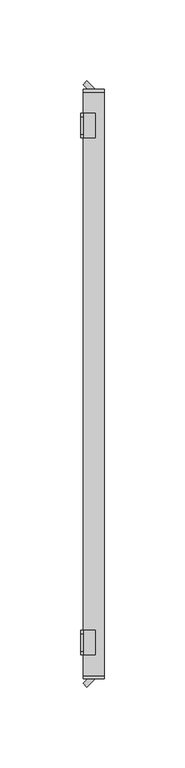
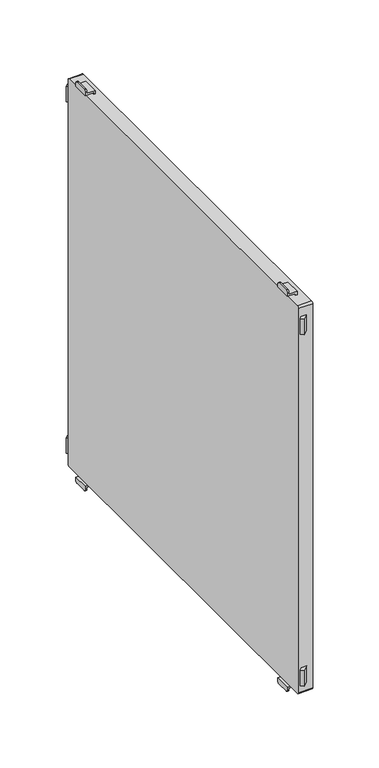
"""IFC4 building model written with IfcOpenShell, lengths in millimetres: furniture geometry."""

import ifcopenshell
import ifcopenshell.guid

model = None  # the IFC model being written
_history = None  # IfcOwnerHistory: only IFC2X3 demands one
_inside = {}  # id of a spatial element -> (the spatial element, [elements in it])
_under = {}  # id of a project, library or spatial element -> (it, [spatial elements below it])
_declared = {}  # id of a project -> (the project, [libraries it declares])
_typed = {}  # id of a type object -> (the type object, [elements of that type])
_made_of = {}  # id of a material, layer set ... -> (it, [elements and type objects made of it])


def new_model(schema):
    """Start an empty IFC model of exactly this schema.

    Asked for "IFC4X3", IfcOpenShell would pick the latest addendum, in which some entities
    have other attributes; the version numbers below select the first issue.
    IFC2X3 requires an IfcOwnerHistory on every rooted entity: one is made here for all.
    """
    global model, _history
    if schema == "IFC4X3":
        model = ifcopenshell.file(schema_version=(4, 3, 0, 0))
    else:
        model = ifcopenshell.file(schema=schema)
    _inside.clear()
    _under.clear()
    _declared.clear()
    _typed.clear()
    _made_of.clear()
    _history = None
    if model.schema == "IFC2X3":
        org = make("IfcOrganization", Name="unknown")
        user = make(
            "IfcPersonAndOrganization",
            ThePerson=make("IfcPerson", FamilyName="unknown"),
            TheOrganization=org,
        )
        app = make(
            "IfcApplication",
            ApplicationDeveloper=org,
            Version="unknown",
            ApplicationFullName="unknown",
            ApplicationIdentifier="unknown",
        )
        _history = make(
            "IfcOwnerHistory",
            OwningUser=user,
            OwningApplication=app,
            ChangeAction="ADDED",
            CreationDate=0,
        )
    return model


def make(cls, **values):
    """One entity of the class cls with the attributes given. An attribute that is None is left unset."""
    return model.create_entity(
        cls, **{name: value for name, value in values.items() if value is not None}
    )


def rooted(cls, **values):
    """An entity with a GlobalId (a new one), such as an element, a storey or a relation."""
    return make(cls, GlobalId=ifcopenshell.guid.new(), OwnerHistory=_history, **values)


def si_unit(unit_type, name, prefix=None):
    """IfcSIUnit, for example si_unit("LENGTHUNIT", "METRE", prefix="MILLI")."""
    return make("IfcSIUnit", UnitType=unit_type, Prefix=prefix, Name=name)


def assignment(units):
    """IfcUnitAssignment: the units of a project."""
    return None if units is None else make("IfcUnitAssignment", Units=units)


def point(xyz):
    """IfcCartesianPoint."""
    return None if xyz is None else make("IfcCartesianPoint", Coordinates=xyz)


def direction(xyz):
    """IfcDirection."""
    return None if xyz is None else make("IfcDirection", DirectionRatios=xyz)


def frame(location, z_axis=None, x_axis=None):
    """IfcAxis2Placement3D, a coordinate frame: its origin and axes. An axis left out is left unset."""
    return make(
        "IfcAxis2Placement3D",
        Location=point(location),
        Axis=direction(z_axis),
        RefDirection=direction(x_axis),
    )


def frame_2d(location, x_axis=None):
    """IfcAxis2Placement2D, a coordinate frame in the plane: its origin and x axis."""
    return make(
        "IfcAxis2Placement2D", Location=point(location), RefDirection=direction(x_axis)
    )


def origin():
    """The frame at (0, 0, 0) with its axes left unset."""
    return frame((0.0, 0.0, 0.0))


def place(relative_to, where):
    """IfcLocalPlacement: puts the frame where relative to a parent placement (None: the world)."""
    return make(
        "IfcLocalPlacement", PlacementRelTo=relative_to, RelativePlacement=where
    )


def context(
    kind, dimensions, precision=None, world=None, true_north=None, identifier=None
):
    """IfcGeometricRepresentationContext, for example the 3D "Model" context."""
    return make(
        "IfcGeometricRepresentationContext",
        ContextIdentifier=identifier,
        ContextType=kind,
        CoordinateSpaceDimension=dimensions,
        Precision=precision,
        WorldCoordinateSystem=world,
        TrueNorth=true_north,
    )


def project(units=None, contexts=None):
    """IfcProject with its units and contexts."""
    return rooted(
        "IfcProject",
        Name="project",
        RepresentationContexts=contexts,
        UnitsInContext=assignment(units),
    )


def spatial(cls, under=None, at=None, **own):
    """A site, building, storey or space (cls), placed at a placement, below another one or the project."""
    s = rooted(cls, ObjectPlacement=at, **own)
    if under is not None:
        _under.setdefault(under.id(), (under, []))[1].append(s)
    return s


def polyline(points):
    """IfcPolyline through the points."""
    return make("IfcPolyline", Points=[point(p) for p in points])


def circle_curve(where, radius):
    """IfcCircle in the frame where."""
    return make("IfcCircle", Position=where, Radius=radius)


def trimmed(basis, trim1, trim2, sense, master):
    """IfcTrimmedCurve: the piece of a basis curve between two trims."""
    return make(
        "IfcTrimmedCurve",
        BasisCurve=basis,
        Trim1=trim1,
        Trim2=trim2,
        SenseAgreement=sense,
        MasterRepresentation=master,
    )


def segment(curve, same_sense, transition):
    """IfcCompositeCurveSegment."""
    return make(
        "IfcCompositeCurveSegment",
        Transition=transition,
        SameSense=same_sense,
        ParentCurve=curve,
    )


def composite_curve(segments, self_intersect=None):
    """IfcCompositeCurve: segments joined end to end."""
    return make("IfcCompositeCurve", Segments=segments, SelfIntersect=self_intersect)


def outline(outer, holes=None, kind="AREA"):
    """IfcArbitraryClosedProfileDef: a profile drawn as a closed curve; with holes, ...WithVoids."""
    if holes is None:
        return make("IfcArbitraryClosedProfileDef", ProfileType=kind, OuterCurve=outer)
    return make(
        "IfcArbitraryProfileDefWithVoids",
        ProfileType=kind,
        OuterCurve=outer,
        InnerCurves=holes,
    )


def extrude(swept, where, along, depth):
    """IfcExtrudedAreaSolid: the profile swept, set in the frame where, extruded along a direction by depth."""
    return make(
        "IfcExtrudedAreaSolid",
        SweptArea=swept,
        Position=where,
        ExtrudedDirection=direction(along),
        Depth=depth,
    )


def shape(context_of_items, identifier, shape_type, items):
    """IfcShapeRepresentation: the items that make up one representation, for example the "Body"."""
    return make(
        "IfcShapeRepresentation",
        ContextOfItems=context_of_items,
        RepresentationIdentifier=identifier,
        RepresentationType=shape_type,
        Items=items,
    )


def source(mapping_origin, context_of_items, identifier, shape_type, items):
    """IfcRepresentationMap: a shape defined once, which mapped items show again and again."""
    return make(
        "IfcRepresentationMap",
        MappingOrigin=mapping_origin,
        MappedRepresentation=shape(context_of_items, identifier, shape_type, items),
    )


def transform(
    local_origin,
    x_axis=None,
    y_axis=None,
    z_axis=None,
    scale=None,
    scale2=None,
    scale3=None,
    uniform=True,
):
    """IfcCartesianTransformationOperator3D, or its non-uniform kind. x_axis, y_axis, z_axis: its Axis1, 2, 3."""
    if uniform:
        return make(
            "IfcCartesianTransformationOperator3D",
            Axis1=direction(x_axis),
            Axis2=direction(y_axis),
            LocalOrigin=point(local_origin),
            Scale=scale,
            Axis3=direction(z_axis),
        )
    return make(
        "IfcCartesianTransformationOperator3DnonUniform",
        Axis1=direction(x_axis),
        Axis2=direction(y_axis),
        LocalOrigin=point(local_origin),
        Scale=scale,
        Axis3=direction(z_axis),
        Scale2=scale2,
        Scale3=scale3,
    )


def mapped(mapping_source, mapping_target):
    """IfcMappedItem: shows the shape of a source again, moved by a transform."""
    return make(
        "IfcMappedItem", MappingSource=mapping_source, MappingTarget=mapping_target
    )


def made_of(thing, what):
    """Note that an element or type object is made of a material, layer set ...; save() writes the relation."""
    if what is not None:
        _made_of.setdefault(what.id(), (what, []))[1].append(thing)
    return thing


def element(
    cls,
    number,
    at=None,
    inside=None,
    cuts=None,
    type_object=None,
    material=None,
    context=None,
    identifier="Body",
    shape_type=None,
    held_by="IfcProductDefinitionShape",
    body=None,
    shapes=None,
    **own,
):
    """One element of the class cls, such as IfcWall. Its Tag is "e" and its number.

    at: its placement. inside: the storey or other place that contains it. cuts: it is an
    opening in that element (IfcRelVoidsElement). A single representation is given by context,
    identifier, shape_type and body (its items); several are given by shapes. held_by: the class
    of the entity that holds the representations. save() writes the other relations.
    """
    e = rooted(cls, Tag="e%d" % number, ObjectPlacement=at, **own)
    if body is not None:
        shapes = [shape(context, identifier, shape_type, body)]
    if shapes is not None:
        e.Representation = make(held_by, Representations=shapes)
    if inside is not None:
        _inside.setdefault(inside.id(), (inside, []))[1].append(e)
    if cuts is not None:
        rooted(
            "IfcRelVoidsElement", RelatingBuildingElement=cuts, RelatedOpeningElement=e
        )
    if type_object is not None:
        _typed.setdefault(type_object.id(), (type_object, []))[1].append(e)
    return made_of(e, material)


def aggregate(whole, parts):
    """IfcRelAggregates: a whole, such as a stair, and the parts it consists of."""
    return rooted("IfcRelAggregates", RelatingObject=whole, RelatedObjects=parts)


def save(model, path):
    """Write the relations noted so far, then the file.

    IfcRelAggregates (storeys below a building ...), IfcRelContainedInSpatialStructure (elements
    in a storey), IfcRelDefinesByType, IfcRelAssociatesMaterial and IfcRelDeclares: one each for
    every whole, place, type object, material and project.
    """
    for whole, parts in _under.values():
        aggregate(whole, parts)
    for where, things in _inside.values():
        rooted(
            "IfcRelContainedInSpatialStructure",
            RelatedElements=things,
            RelatingStructure=where,
        )
    for kind, things in _typed.values():
        rooted("IfcRelDefinesByType", RelatedObjects=things, RelatingType=kind)
    for what, things in _made_of.values():
        rooted("IfcRelAssociatesMaterial", RelatedObjects=things, RelatingMaterial=what)
    for by, libraries in _declared.values():
        rooted("IfcRelDeclares", RelatingContext=by, RelatedDefinitions=libraries)
    model.write(path)


def plane_surface(at):
    """IfcPlane: the flat surface through the origin of the frame at, square to its z axis."""
    return make("IfcPlane", Position=at)


def cylinder_surface(at, radius):
    """IfcCylindricalSurface: all points at the distance radius from the z axis of the frame at."""
    return make("IfcCylindricalSurface", Position=at, Radius=radius)


def advanced_brep(points, edges, surfaces, faces):
    """IfcAdvancedBrep: a solid bounded by faces that lie on surfaces and meet in shared edges.

    An edge is (start, end): straight between two places in points (the first is 0);
    or (start, end, curve); or (start, end, curve, False) where it runs against its curve.
    A face is (place in surfaces, loops), or (place, loops, False) where it looks against
    its surface's normal. A loop lists edges by number (the first is 1), with a minus sign
    where the edge is run from its end to its start. The first loop is the outer one.
    """
    corners = [point(p) for p in points]
    vertices = [make("IfcVertexPoint", VertexGeometry=c) for c in corners]
    made = []
    for start, end, *more in edges:
        made.append(
            make(
                "IfcEdgeCurve",
                EdgeStart=vertices[start],
                EdgeEnd=vertices[end],
                EdgeGeometry=more[0] if more else make("IfcPolyline", Points=[corners[start], corners[end]]),
                SameSense=more[1] if len(more) > 1 else True,
            )
        )
    hull = []
    for where, loops, *sense in faces:
        bounds = []
        for j, loop in enumerate(loops):
            ring = [make("IfcOrientedEdge", EdgeElement=made[abs(k) - 1], Orientation=k > 0) for k in loop]
            bounds.append(
                make(
                    "IfcFaceOuterBound" if j == 0 else "IfcFaceBound",
                    Bound=make("IfcEdgeLoop", EdgeList=ring),
                    Orientation=True,
                )
            )
        hull.append(make("IfcAdvancedFace", Bounds=bounds, FaceSurface=surfaces[where], SameSense=sense[0] if sense else True))
    return make("IfcAdvancedBrep", Outer=make("IfcClosedShell", CfsFaces=hull))


def furniture_20d5169d(model_context):
    return source(origin(), model_context, "Body", "SolidModel", [
        advanced_brep(
        [(-397.0, 152.5, 115.5), (-397.0, 154.5, 113.5), (-397.0, 165.5, 113.5), (-397.0, 167.5, 115.5), (-397.0, 167.5, 117.0), (-397.0, 152.5, 117.0), (-398.5, 152.5, 118.5), (-398.5, 167.5, 118.5), (-398.5, 167.5, 115.5), (-398.5, 165.5, 113.5), (-398.5, 154.5, 113.5), (-398.5, 152.5, 115.5), (-389.5011497, 152.5, 117.0), (-389.5011497, 152.5, 120.0), (-391.0011497, 152.5, 120.0), (-391.0011497, 152.5, 118.5), (-391.0011497, 167.5, 118.5), (-391.0011497, 167.5, 120.0), (-389.5011497, 167.5, 120.0), (-389.5011497, 167.5, 117.0)],
        [
            (0, 1, circle_curve(frame((-397.0, 154.5, 115.5), z_axis=(1.0, 0.0, 0.0), x_axis=(0.0, 1.0, 0.0)), 2.0)),
            (1, 2),
            (2, 3, circle_curve(frame((-397.0, 165.5, 115.5), z_axis=(1.0, 0.0, 0.0), x_axis=(0.0, 1.0, 0.0)), 2.0)),
            (3, 4),
            (4, 5),
            (5, 0),
            (6, 7),
            (7, 8),
            (8, 9, circle_curve(frame((-398.5, 165.5, 115.5), z_axis=(-1.0, 0.0, 0.0), x_axis=(0.0, 1.0, 0.0)), 2.0)),
            (9, 10),
            (10, 11, circle_curve(frame((-398.5, 154.5, 115.5), z_axis=(-1.0, 0.0, 0.0), x_axis=(0.0, 1.0, 0.0)), 2.0)),
            (11, 6),
            (11, 0),
            (5, 12),
            (12, 13),
            (13, 14),
            (14, 15),
            (15, 6),
            (10, 1),
            (9, 2),
            (8, 3),
            (7, 16),
            (16, 17),
            (17, 18),
            (18, 19),
            (19, 4),
            (15, 16),
            (12, 19),
            (18, 13),
            (17, 14),
        ],
        [
            plane_surface(frame((-397.0, 152.5, 117.0), z_axis=(1.0, 0.0, 0.0), x_axis=(0.0, 0.0, -1.0))),
            plane_surface(frame((-398.5, 152.5, 117.0), z_axis=(-1.0, 0.0, 0.0), x_axis=(0.0, 0.0, 1.0))),
            plane_surface(frame((-397.0, 152.5, 118.5), z_axis=(0.0, -1.0, 0.0), x_axis=(-1.0, 0.0, 0.0))),
            cylinder_surface(frame((-398.5, 154.5, 115.5), z_axis=(1.0, 0.0, 0.0), x_axis=(0.0, 1.0, 0.0)), 2.0),
            plane_surface(frame((-397.0, 154.5, 113.5), z_axis=(0.0, 0.0, -1.0), x_axis=(-1.0, 0.0, 0.0))),
            cylinder_surface(frame((-398.5, 165.5, 115.5), z_axis=(1.0, 0.0, 0.0), x_axis=(0.0, 1.0, 0.0)), 2.0),
            plane_surface(frame((-397.0, 167.5, 115.5), z_axis=(0.0, 1.0, 0.0), x_axis=(-1.0, 0.0, 0.0))),
            plane_surface(frame((-397.0, 167.5, 118.5), z_axis=(0.0, 0.0, 1.0), x_axis=(-1.0, 0.0, 0.0))),
            plane_surface(frame((-389.5011497, 152.5, 117.0), z_axis=(1.0, 0.0, 0.0), x_axis=(0.0, 1.0, 0.0))),
            plane_surface(frame((-389.5011497, 152.5, 120.0), z_axis=(0.0, 0.0, 1.0), x_axis=(0.0, 1.0, 0.0))),
            plane_surface(frame((-391.0011497, 152.5, 120.0), z_axis=(-1.0, 0.0, 0.0), x_axis=(0.0, 1.0, 0.0))),
            plane_surface(frame((-397.0, 152.5, 117.0), z_axis=(0.0, 0.0, -1.0), x_axis=(0.0, 1.0, 0.0))),
        ],
        [
            (0, [[1, 2, 3, 4, 5, 6]]),
            (1, [[7, 8, 9, 10, 11, 12]]),
            (2, [[-12, 13, -6, 14, 15, 16, 17, 18]]),
            (3, [[-1, -13, -11, 19]]),
            (4, [[-2, -19, -10, 20]]),
            (5, [[-3, -20, -9, 21]]),
            (6, [[-8, 22, 23, 24, 25, 26, -4, -21]]),
            (7, [[-22, -7, -18, 27]]),
            (8, [[-15, 28, -25, 29]]),
            (9, [[-16, -29, -24, 30]]),
            (10, [[-17, -30, -23, -27]]),
            (11, [[-14, -5, -26, -28]]),
        ],
    ),
        advanced_brep(
        [(-397.0, -167.5, 115.5), (-397.0, -165.5, 113.5), (-397.0, -154.5, 113.5), (-397.0, -152.5, 115.5), (-397.0, -152.5, 117.0), (-397.0, -167.5, 117.0), (-398.5, -152.5, 118.5), (-398.5, -152.5, 115.5), (-398.5, -154.5, 113.5), (-398.5, -165.5, 113.5), (-398.5, -167.5, 115.5), (-398.5, -167.5, 118.5), (-391.0011497, -167.5, 118.5), (-391.0011497, -152.5, 118.5), (-389.5011497, -167.5, 117.0), (-389.5011497, -167.5, 120.0), (-391.0011497, -167.5, 120.0), (-391.0011497, -152.5, 120.0), (-389.5011497, -152.5, 120.0), (-389.5011497, -152.5, 117.0)],
        [
            (0, 1, circle_curve(frame((-397.0, -165.5, 115.5), z_axis=(1.0, 0.0, 0.0), x_axis=(0.0, 1.0, 0.0)), 2.0)),
            (1, 2),
            (2, 3, circle_curve(frame((-397.0, -154.5, 115.5), z_axis=(1.0, 0.0, 0.0), x_axis=(0.0, 1.0, 0.0)), 2.0)),
            (3, 4),
            (4, 5),
            (5, 0),
            (6, 7),
            (7, 8, circle_curve(frame((-398.5, -154.5, 115.5), z_axis=(-1.0, 0.0, 0.0), x_axis=(0.0, 1.0, 0.0)), 2.0)),
            (8, 9),
            (9, 10, circle_curve(frame((-398.5, -165.5, 115.5), z_axis=(-1.0, 0.0, 0.0), x_axis=(0.0, 1.0, 0.0)), 2.0)),
            (10, 11),
            (11, 6),
            (11, 12),
            (12, 13),
            (13, 6),
            (10, 0),
            (5, 14),
            (14, 15),
            (15, 16),
            (16, 12),
            (9, 1),
            (8, 2),
            (7, 3),
            (13, 17),
            (17, 18),
            (18, 19),
            (19, 4),
            (18, 15),
            (14, 19),
            (17, 16),
        ],
        [
            plane_surface(frame((-397.0, 152.5, 117.0), z_axis=(1.0, 0.0, 0.0), x_axis=(0.0, 0.0, -1.0))),
            plane_surface(frame((-398.5, 152.5, 117.0), z_axis=(-1.0, 0.0, 0.0), x_axis=(0.0, 0.0, 1.0))),
            plane_surface(frame((-397.0, -152.5, 118.5), z_axis=(0.0, 0.0, 1.0), x_axis=(-1.0, 0.0, 0.0))),
            plane_surface(frame((-397.0, -167.5, 118.5), z_axis=(0.0, -1.0, 0.0), x_axis=(-1.0, 0.0, 0.0))),
            cylinder_surface(frame((-400.0, -165.5, 115.5), z_axis=(1.0, 0.0, 0.0), x_axis=(0.0, 1.0, 0.0)), 2.0),
            plane_surface(frame((-397.0, -165.5, 113.5), z_axis=(0.0, 0.0, -1.0), x_axis=(-1.0, 0.0, 0.0))),
            cylinder_surface(frame((-400.0, -154.5, 115.5), z_axis=(1.0, 0.0, 0.0), x_axis=(0.0, 1.0, 0.0)), 2.0),
            plane_surface(frame((-397.0, -152.5, 115.5), z_axis=(0.0, 1.0, 0.0), x_axis=(-1.0, 0.0, 0.0))),
            plane_surface(frame((-389.5011497, -152.5, 120.0), z_axis=(1.0, 0.0, 0.0), x_axis=(0.0, -1.0, 0.0))),
            plane_surface(frame((-391.0011497, -152.5, 120.0), z_axis=(0.0, 0.0, 1.0), x_axis=(0.0, -1.0, 0.0))),
            plane_surface(frame((-391.0011497, -152.5, 118.5), z_axis=(-1.0, 0.0, 0.0), x_axis=(0.0, -1.0, 0.0))),
            plane_surface(frame((-389.5011497, -152.5, 117.0), z_axis=(0.0, 0.0, -1.0), x_axis=(0.0, -1.0, 0.0))),
        ],
        [
            (0, [[1, 2, 3, 4, 5, 6]]),
            (1, [[7, 8, 9, 10, 11, 12]]),
            (2, [[-12, 13, 14, 15]]),
            (3, [[-11, 16, -6, 17, 18, 19, 20, -13]]),
            (4, [[-1, -16, -10, 21]]),
            (5, [[-2, -21, -9, 22]]),
            (6, [[-3, -22, -8, 23]]),
            (7, [[-7, -15, 24, 25, 26, 27, -4, -23]]),
            (8, [[-26, 28, -18, 29]]),
            (9, [[-25, 30, -19, -28]]),
            (10, [[-24, -14, -20, -30]]),
            (11, [[-27, -29, -17, -5]]),
        ],
    ),
        advanced_brep(
        [(-397.0, 167.5, 499.5), (-397.0, 165.5, 501.5), (-397.0, 154.5, 501.5), (-397.0, 152.5, 499.5), (-397.0, 152.5, 498.0), (-397.0, 167.5, 498.0), (-398.5, 152.5, 496.5), (-398.5, 152.5, 499.5), (-398.5, 154.5, 501.5), (-398.5, 165.5, 501.5), (-398.5, 167.5, 499.5), (-398.5, 167.5, 496.5), (-389.5011497, 152.5, 498.0), (-391.0011497, 152.5, 496.5), (-391.0011497, 152.5, 495.0), (-389.5011497, 152.5, 495.0), (-389.5011497, 167.5, 498.0), (-389.5011497, 167.5, 495.0), (-391.0011497, 167.5, 495.0), (-391.0011497, 167.5, 496.5)],
        [
            (0, 1, circle_curve(frame((-397.0, 165.5, 499.5), z_axis=(1.0, 0.0, 0.0), x_axis=(0.0, 1.0, 0.0)), 2.0)),
            (1, 2),
            (2, 3, circle_curve(frame((-397.0, 154.5, 499.5), z_axis=(1.0, 0.0, 0.0), x_axis=(0.0, 1.0, 0.0)), 2.0)),
            (3, 4),
            (4, 5),
            (5, 0),
            (6, 7),
            (7, 8, circle_curve(frame((-398.5, 154.5, 499.5), z_axis=(-1.0, 0.0, 0.0), x_axis=(0.0, 1.0, 0.0)), 2.0)),
            (8, 9),
            (9, 10, circle_curve(frame((-398.5, 165.5, 499.5), z_axis=(-1.0, 0.0, 0.0), x_axis=(0.0, 1.0, 0.0)), 2.0)),
            (10, 11),
            (11, 6),
            (12, 4),
            (3, 7),
            (6, 13),
            (13, 14),
            (14, 15),
            (15, 12),
            (16, 17),
            (17, 18),
            (18, 19),
            (19, 11),
            (10, 0),
            (5, 16),
            (19, 13),
            (9, 1),
            (8, 2),
            (12, 16),
            (18, 14),
            (17, 15),
        ],
        [
            plane_surface(frame((-397.0, 152.5, 117.0), z_axis=(1.0, 0.0, 0.0), x_axis=(0.0, 0.0, -1.0))),
            plane_surface(frame((-398.5, 152.5, 117.0), z_axis=(-1.0, 0.0, 0.0), x_axis=(0.0, 0.0, 1.0))),
            plane_surface(frame((-397.0, 152.5, 118.5), z_axis=(0.0, -1.0, 0.0), x_axis=(-1.0, 0.0, 0.0))),
            plane_surface(frame((-397.0, 167.5, 115.5), z_axis=(0.0, 1.0, 0.0), x_axis=(-1.0, 0.0, 0.0))),
            plane_surface(frame((-397.0, 152.5, 496.5), z_axis=(0.0, 0.0, -1.0), x_axis=(-1.0, 0.0, 0.0))),
            cylinder_surface(frame((-400.0, 165.5, 499.5), z_axis=(1.0, 0.0, 0.0), x_axis=(0.0, 1.0, 0.0)), 2.0),
            plane_surface(frame((-397.0, 165.5, 501.5), z_axis=(0.0, 0.0, 1.0), x_axis=(-1.0, 0.0, 0.0))),
            cylinder_surface(frame((-400.0, 154.5, 499.5), z_axis=(1.0, 0.0, 0.0), x_axis=(0.0, 1.0, 0.0)), 2.0),
            plane_surface(frame((-389.5011497, 152.5, 498.0), z_axis=(0.0, 0.0, 1.0), x_axis=(0.0, 1.0, 0.0))),
            plane_surface(frame((-391.0011497, 152.5, 496.5), z_axis=(-1.0, 0.0, 0.0), x_axis=(0.0, 1.0, 0.0))),
            plane_surface(frame((-391.0011497, 152.5, 495.0), z_axis=(0.0, 0.0, -1.0), x_axis=(0.0, 1.0, 0.0))),
            plane_surface(frame((-389.5011497, 152.5, 495.0), z_axis=(1.0, 0.0, 0.0), x_axis=(0.0, 1.0, 0.0))),
        ],
        [
            (0, [[1, 2, 3, 4, 5, 6]]),
            (1, [[7, 8, 9, 10, 11, 12]]),
            (2, [[13, -4, 14, -7, 15, 16, 17, 18]]),
            (3, [[19, 20, 21, 22, -11, 23, -6, 24]]),
            (4, [[-15, -12, -22, 25]]),
            (5, [[-1, -23, -10, 26]]),
            (6, [[-2, -26, -9, 27]]),
            (7, [[-3, -27, -8, -14]]),
            (8, [[-13, 28, -24, -5]]),
            (9, [[-16, -25, -21, 29]]),
            (10, [[-17, -29, -20, 30]]),
            (11, [[-18, -30, -19, -28]]),
        ],
    ),
        advanced_brep(
        [(-397.0, -152.5, 499.5), (-397.0, -154.5, 501.5), (-397.0, -165.5, 501.5), (-397.0, -167.5, 499.5), (-397.0, -167.5, 498.0), (-397.0, -152.5, 498.0), (-398.5, -152.5, 496.5), (-398.5, -167.5, 496.5), (-398.5, -167.5, 499.5), (-398.5, -165.5, 501.5), (-398.5, -154.5, 501.5), (-398.5, -152.5, 499.5), (-391.0011497, -167.5, 496.5), (-391.0011497, -167.5, 495.0), (-389.5011497, -167.5, 495.0), (-389.5011497, -167.5, 498.0), (-389.5011497, -152.5, 498.0), (-389.5011497, -152.5, 495.0), (-391.0011497, -152.5, 495.0), (-391.0011497, -152.5, 496.5)],
        [
            (0, 1, circle_curve(frame((-397.0, -154.5, 499.5), z_axis=(1.0, 0.0, 0.0), x_axis=(0.0, 1.0, 0.0)), 2.0)),
            (1, 2),
            (2, 3, circle_curve(frame((-397.0, -165.5, 499.5), z_axis=(1.0, 0.0, 0.0), x_axis=(0.0, 1.0, 0.0)), 2.0)),
            (3, 4),
            (4, 5),
            (5, 0),
            (6, 7),
            (7, 8),
            (8, 9, circle_curve(frame((-398.5, -165.5, 499.5), z_axis=(-1.0, 0.0, 0.0), x_axis=(0.0, 1.0, 0.0)), 2.0)),
            (9, 10),
            (10, 11, circle_curve(frame((-398.5, -154.5, 499.5), z_axis=(-1.0, 0.0, 0.0), x_axis=(0.0, 1.0, 0.0)), 2.0)),
            (11, 6),
            (7, 12),
            (12, 13),
            (13, 14),
            (14, 15),
            (15, 4),
            (3, 8),
            (11, 0),
            (5, 16),
            (16, 17),
            (17, 18),
            (18, 19),
            (19, 6),
            (10, 1),
            (9, 2),
            (19, 12),
            (15, 16),
            (18, 13),
            (17, 14),
        ],
        [
            plane_surface(frame((-397.0, 152.5, 117.0), z_axis=(1.0, 0.0, 0.0), x_axis=(0.0, 0.0, -1.0))),
            plane_surface(frame((-398.5, 152.5, 117.0), z_axis=(-1.0, 0.0, 0.0), x_axis=(0.0, 0.0, 1.0))),
            plane_surface(frame((-397.0, -167.5, 118.5), z_axis=(0.0, -1.0, 0.0), x_axis=(-1.0, 0.0, 0.0))),
            plane_surface(frame((-397.0, -152.5, 115.5), z_axis=(0.0, 1.0, 0.0), x_axis=(-1.0, 0.0, 0.0))),
            cylinder_surface(frame((-400.0, -154.5, 499.5), z_axis=(1.0, 0.0, 0.0), x_axis=(0.0, 1.0, 0.0)), 2.0),
            plane_surface(frame((-397.0, -154.5, 501.5), z_axis=(0.0, 0.0, 1.0), x_axis=(-1.0, 0.0, 0.0))),
            cylinder_surface(frame((-400.0, -165.5, 499.5), z_axis=(1.0, 0.0, 0.0), x_axis=(0.0, 1.0, 0.0)), 2.0),
            plane_surface(frame((-397.0, -167.5, 496.5), z_axis=(0.0, 0.0, -1.0), x_axis=(-1.0, 0.0, 0.0))),
            plane_surface(frame((-397.0, -152.5, 498.0), z_axis=(0.0, 0.0, 1.0), x_axis=(0.0, -1.0, 0.0))),
            plane_surface(frame((-391.0011497, -152.5, 495.0), z_axis=(-1.0, 0.0, 0.0), x_axis=(0.0, -1.0, 0.0))),
            plane_surface(frame((-389.5011497, -152.5, 495.0), z_axis=(0.0, 0.0, -1.0), x_axis=(0.0, -1.0, 0.0))),
            plane_surface(frame((-389.5011497, -152.5, 498.0), z_axis=(1.0, 0.0, 0.0), x_axis=(0.0, -1.0, 0.0))),
        ],
        [
            (0, [[1, 2, 3, 4, 5, 6]]),
            (1, [[7, 8, 9, 10, 11, 12]]),
            (2, [[-8, 13, 14, 15, 16, 17, -4, 18]]),
            (3, [[-12, 19, -6, 20, 21, 22, 23, 24]]),
            (4, [[-1, -19, -11, 25]]),
            (5, [[-2, -25, -10, 26]]),
            (6, [[-3, -26, -9, -18]]),
            (7, [[-7, -24, 27, -13]]),
            (8, [[-20, -5, -17, 28]]),
            (9, [[-23, 29, -14, -27]]),
            (10, [[-22, 30, -15, -29]]),
            (11, [[-21, -28, -16, -30]]),
        ],
    ),
        extrude(outline(polyline([(-397.0, -185.3223305), (-394.1776695, -182.5), (-389.5011497, -182.5), (-394.6617401, -187.6605904), (-397.0, -185.3223305)])), frame((0.0, 0.0, 130.0), z_axis=(0.0, 0.0, 1.0), x_axis=(1.0, 0.0, 0.0)), (0.0, 0.0, 1.0), 15.0),
        extrude(outline(polyline([(-397.0, 185.3223305), (-394.6617401, 187.6605904), (-389.5011497, 182.5), (-394.1776695, 182.5), (-397.0, 185.3223305)])), frame((0.0, 0.0, 130.0), z_axis=(0.0, 0.0, 1.0), x_axis=(1.0, 0.0, 0.0)), (0.0, 0.0, 1.0), 15.0),
        extrude(outline(composite_curve([segment(polyline([(182.5, 493.2), (182.5, 121.8)]), True, "CONTINUOUS"), segment(trimmed(circle_curve(frame_2d((180.7, 121.8)), 1.8), [point((182.5, 121.8))], [point((180.7, 120.0))], False, "CARTESIAN"), True, "CONTINUOUS"), segment(polyline([(180.7, 120.0), (-180.7, 120.0)]), True, "CONTINUOUS"), segment(trimmed(circle_curve(frame_2d((-180.7, 121.8)), 1.8), [point((-180.7, 120.0))], [point((-182.5, 121.8))], False, "CARTESIAN"), True, "CONTINUOUS"), segment(polyline([(-182.5, 121.8), (-182.5, 493.2)]), True, "CONTINUOUS"), segment(trimmed(circle_curve(frame_2d((-180.7, 493.2)), 1.8), [point((-182.5, 493.2))], [point((-180.7, 495.0))], False, "CARTESIAN"), True, "CONTINUOUS"), segment(polyline([(-180.7, 495.0), (180.7, 495.0)]), True, "CONTINUOUS"), segment(trimmed(circle_curve(frame_2d((180.7, 493.2)), 1.8), [point((180.7, 495.0))], [point((182.5, 493.2))], False, "CARTESIAN"), True, "CONTINUOUS")], self_intersect=False)), frame((-397.0, 0.0, 0.0), z_axis=(1.0, 0.0, 0.0), x_axis=(0.0, 1.0, 0.0)), (0.0, 0.0, 1.0), 13.000205),
        extrude(outline(polyline([(-397.0, -185.3223305), (-394.1776695, -182.5), (-389.5011497, -182.5), (-394.6617401, -187.6605904), (-397.0, -185.3223305)])), frame((0.0, 0.0, 470.0), z_axis=(0.0, 0.0, 1.0), x_axis=(1.0, 0.0, 0.0)), (0.0, 0.0, 1.0), 15.0),
        extrude(outline(polyline([(-397.0, 185.3223305), (-394.6617401, 187.6605904), (-389.5011497, 182.5), (-394.1776695, 182.5), (-397.0, 185.3223305)])), frame((0.0, 0.0, 470.0), z_axis=(0.0, 0.0, 1.0), x_axis=(1.0, 0.0, 0.0)), (0.0, 0.0, 1.0), 15.0),
    ])


if __name__ == "__main__":
    model = new_model("IFC4")
    model_context = context("Model", 3, world=origin())
    ifc_project = project(units=[si_unit("LENGTHUNIT", "METRE", prefix="MILLI")], contexts=[model_context])
    site = spatial("IfcSite", under=ifc_project)
    building = spatial("IfcBuilding", under=site)
    placement = place(None, origin())
    furniture_shape = furniture_20d5169d(model_context)
    element("IfcFurniture", 1, at=placement, inside=building, context=model_context, shape_type="MappedRepresentation", body=[
        mapped(furniture_shape, transform((0.0, 0.0, 0.0), x_axis=(1.0, 0.0, 0.0), y_axis=(0.0, 1.0, 0.0), z_axis=(0.0, 0.0, 1.0))),
    ])
    save(model, "model.ifc")
